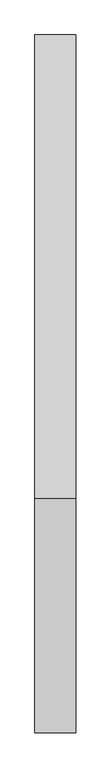
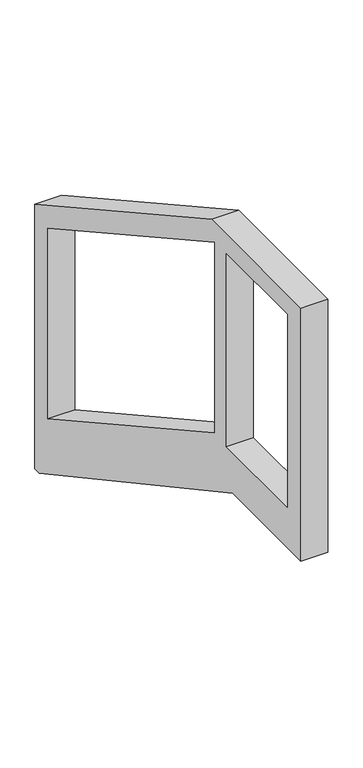
"""IFC4 building model written with IfcOpenShell, lengths in millimetres: railing geometry."""

from ifc_helpers import new_model, si_unit, frame, origin, place, context, project, spatial, polyline, outline, extrude, source, transform, mapped, element, save


def railing_c4bbab38(model_context):
    return source(origin(), model_context, "Body", "SweptSolid", [
        extrude(outline(polyline([(118030.5375648, 11376.0315842), (118030.5375648, 10329.9850633), (118001.5615232, 10329.9850633), (116749.966792, 11009.8636828), (116307.0929476, 11009.8636828), (116307.0929476, 12010.5326012), (116885.8674294, 12010.5326012), (118030.5375648, 11376.0315842)]), holes=[polyline([(116867.3136728, 11177.1883697), (117947.0059556, 10578.7051645), (117947.0059556, 11332.1566851), (116867.3136728, 11930.6398902), (116867.3136728, 11177.1883697)]), polyline([(116396.6796148, 11168.6580569), (116791.9282934, 11168.6580569), (116791.9282934, 11932.0772616), (116396.6796148, 11932.0772616), (116396.6796148, 11168.6580569)])]), frame((2009.1585503, 0.0, 0.0), z_axis=(1.0, 0.0, 0.0), x_axis=(0.0, 1.0, 0.0)), (0.0, 0.0, 1.0), 100.642217),
    ])


if __name__ == "__main__":
    model = new_model("IFC4")
    model_context = context("Model", 3, world=origin())
    ifc_project = project(units=[si_unit("LENGTHUNIT", "METRE", prefix="MILLI")], contexts=[model_context])
    site = spatial("IfcSite", under=ifc_project)
    building = spatial("IfcBuilding", under=site)
    placement = place(None, origin())
    railing_shape = railing_c4bbab38(model_context)
    element("IfcRailing", 1, at=placement, inside=building, context=model_context, shape_type="MappedRepresentation", body=[
        mapped(railing_shape, transform((0.0, 0.0, 0.0), x_axis=(1.0, 0.0, 0.0), y_axis=(0.0, 1.0, 0.0), z_axis=(0.0, 0.0, 1.0))),
    ])
    save(model, "model.ifc")
